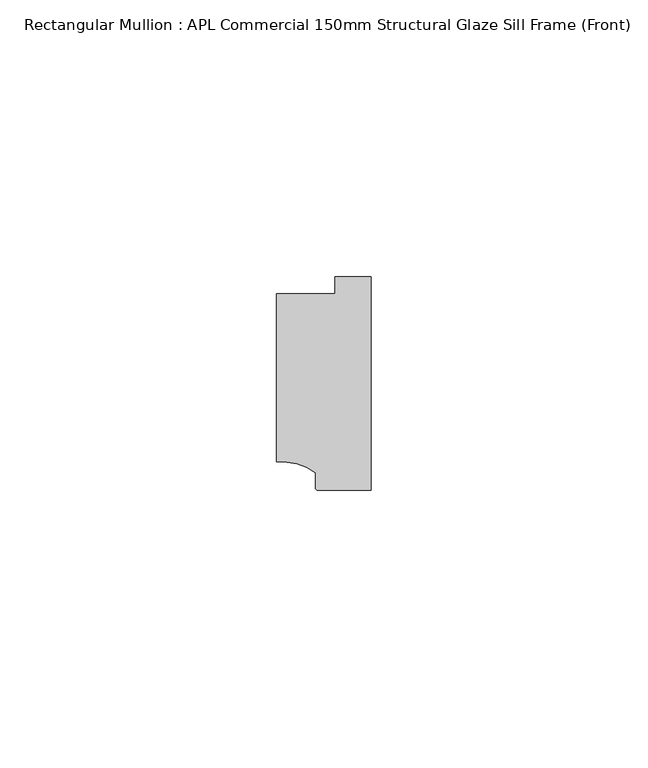
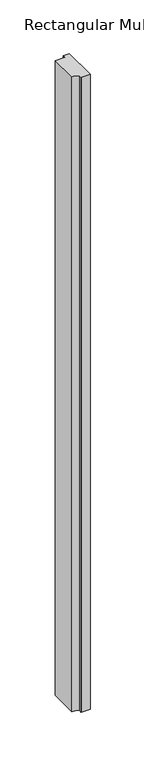
"""IFC4 building model written with IfcOpenShell, lengths in millimetres: member geometry, Rectangular Mullion : APL Commercial 150mm Structural Glaze Sill Frame (Front)."""

from ifc_helpers import new_model, si_unit, point, frame, frame_2d, origin, place, context, project, spatial, polyline, circle_curve, trimmed, segment, composite_curve, outline, extrude, source, transform, mapped, element, save


def rectangular_mullion_apl_commercial_150mm_structural_glaze_28a19fc3(model_context):
    return source(origin(), model_context, "Body", "SweptSolid", [
        extrude(outline(composite_curve([segment(polyline([(-16.999942, -15.3793144), (-16.999942, 15.0004332), (-6.5000029, 15.0004332), (-6.5000029, 18.0281616), (0.0, 18.0281616), (0.0, -20.49978), (-9.5000029, -20.49978)]), True, "CONTINUOUS"), segment(trimmed(circle_curve(frame_2d((-9.5000029, -19.99978)), 0.5), [point((-9.5000029, -20.49978))], [point((-10.0, -19.9980675))], False, "CARTESIAN"), True, "CONTINUOUS"), segment(polyline([(-10.0, -19.9980675), (-10.0, -17.3120901)]), True, "CONTINUOUS"), segment(trimmed(circle_curve(frame_2d((-16.1098048, -25.7977481)), 10.4563907), [point((-10.0, -17.3120901))], [point((-16.999942, -15.3793144))], True, "CARTESIAN"), True, "CONTINUOUS")], self_intersect=False)), frame((0.0, 0.0, -722.0469235), z_axis=(0.0, 0.0, 1.0), x_axis=(1.0, 0.0, 0.0)), (0.0, 0.0, 1.0), 722.0469235),
    ])


if __name__ == "__main__":
    model = new_model("IFC4")
    model_context = context("Model", 3, world=origin())
    ifc_project = project(units=[si_unit("LENGTHUNIT", "METRE", prefix="MILLI")], contexts=[model_context])
    site = spatial("IfcSite", under=ifc_project)
    building = spatial("IfcBuilding", under=site)
    placement = place(None, origin())
    rectangular_mullion_apl_commercial_150mm_structural_glaze_shape = rectangular_mullion_apl_commercial_150mm_structural_glaze_28a19fc3(model_context)
    element("IfcMember", 1, ObjectType="Rectangular Mullion : APL Commercial 150mm Structural Glaze Sill Frame (Front)", at=placement, inside=building, context=model_context, shape_type="MappedRepresentation", body=[
        mapped(rectangular_mullion_apl_commercial_150mm_structural_glaze_shape, transform((0.0, 0.0, 0.0), x_axis=(1.0, 0.0, 0.0), y_axis=(0.0, 1.0, 0.0), z_axis=(0.0, 0.0, 1.0))),
    ])
    save(model, "model.ifc")
